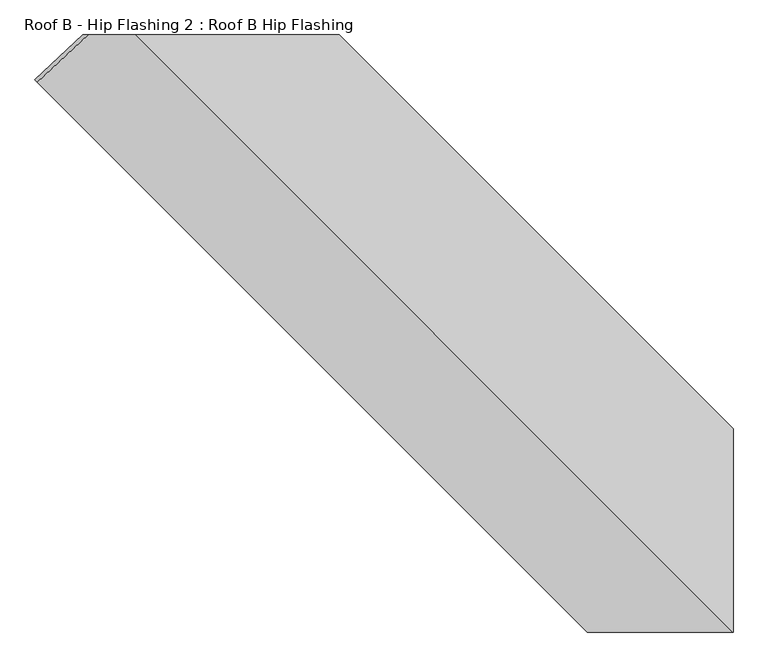
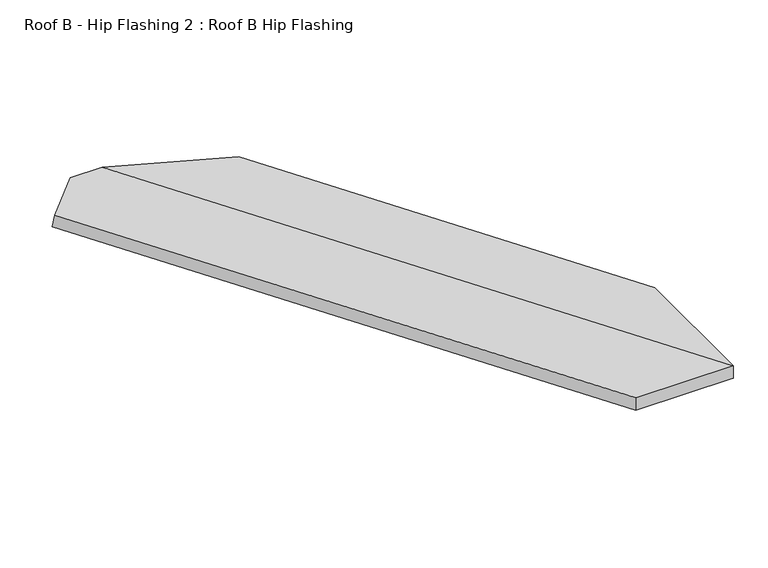
"""IFC4 building model written with IfcOpenShell, lengths in millimetres: proxy geometry, Roof B - Hip Flashing 2 : Roof B Hip Flashing."""

import ifcopenshell
import ifcopenshell.guid

model = None  # the IFC model being written
_history = None  # IfcOwnerHistory: only IFC2X3 demands one
_inside = {}  # id of a spatial element -> (the spatial element, [elements in it])
_under = {}  # id of a project, library or spatial element -> (it, [spatial elements below it])
_declared = {}  # id of a project -> (the project, [libraries it declares])
_typed = {}  # id of a type object -> (the type object, [elements of that type])
_made_of = {}  # id of a material, layer set ... -> (it, [elements and type objects made of it])


def new_model(schema):
    """Start an empty IFC model of exactly this schema.

    Asked for "IFC4X3", IfcOpenShell would pick the latest addendum, in which some entities
    have other attributes; the version numbers below select the first issue.
    IFC2X3 requires an IfcOwnerHistory on every rooted entity: one is made here for all.
    """
    global model, _history
    if schema == "IFC4X3":
        model = ifcopenshell.file(schema_version=(4, 3, 0, 0))
    else:
        model = ifcopenshell.file(schema=schema)
    _inside.clear()
    _under.clear()
    _declared.clear()
    _typed.clear()
    _made_of.clear()
    _history = None
    if model.schema == "IFC2X3":
        org = make("IfcOrganization", Name="unknown")
        user = make(
            "IfcPersonAndOrganization",
            ThePerson=make("IfcPerson", FamilyName="unknown"),
            TheOrganization=org,
        )
        app = make(
            "IfcApplication",
            ApplicationDeveloper=org,
            Version="unknown",
            ApplicationFullName="unknown",
            ApplicationIdentifier="unknown",
        )
        _history = make(
            "IfcOwnerHistory",
            OwningUser=user,
            OwningApplication=app,
            ChangeAction="ADDED",
            CreationDate=0,
        )
    return model


def make(cls, **values):
    """One entity of the class cls with the attributes given. An attribute that is None is left unset."""
    return model.create_entity(
        cls, **{name: value for name, value in values.items() if value is not None}
    )


def rooted(cls, **values):
    """An entity with a GlobalId (a new one), such as an element, a storey or a relation."""
    return make(cls, GlobalId=ifcopenshell.guid.new(), OwnerHistory=_history, **values)


def si_unit(unit_type, name, prefix=None):
    """IfcSIUnit, for example si_unit("LENGTHUNIT", "METRE", prefix="MILLI")."""
    return make("IfcSIUnit", UnitType=unit_type, Prefix=prefix, Name=name)


def assignment(units):
    """IfcUnitAssignment: the units of a project."""
    return None if units is None else make("IfcUnitAssignment", Units=units)


def point(xyz):
    """IfcCartesianPoint."""
    return None if xyz is None else make("IfcCartesianPoint", Coordinates=xyz)


def direction(xyz):
    """IfcDirection."""
    return None if xyz is None else make("IfcDirection", DirectionRatios=xyz)


def frame(location, z_axis=None, x_axis=None):
    """IfcAxis2Placement3D, a coordinate frame: its origin and axes. An axis left out is left unset."""
    return make(
        "IfcAxis2Placement3D",
        Location=point(location),
        Axis=direction(z_axis),
        RefDirection=direction(x_axis),
    )


def origin():
    """The frame at (0, 0, 0) with its axes left unset."""
    return frame((0.0, 0.0, 0.0))


def place(relative_to, where):
    """IfcLocalPlacement: puts the frame where relative to a parent placement (None: the world)."""
    return make(
        "IfcLocalPlacement", PlacementRelTo=relative_to, RelativePlacement=where
    )


def context(
    kind, dimensions, precision=None, world=None, true_north=None, identifier=None
):
    """IfcGeometricRepresentationContext, for example the 3D "Model" context."""
    return make(
        "IfcGeometricRepresentationContext",
        ContextIdentifier=identifier,
        ContextType=kind,
        CoordinateSpaceDimension=dimensions,
        Precision=precision,
        WorldCoordinateSystem=world,
        TrueNorth=true_north,
    )


def project(units=None, contexts=None):
    """IfcProject with its units and contexts."""
    return rooted(
        "IfcProject",
        Name="project",
        RepresentationContexts=contexts,
        UnitsInContext=assignment(units),
    )


def spatial(cls, under=None, at=None, **own):
    """A site, building, storey or space (cls), placed at a placement, below another one or the project."""
    s = rooted(cls, ObjectPlacement=at, **own)
    if under is not None:
        _under.setdefault(under.id(), (under, []))[1].append(s)
    return s


def faces_of(points, faces, orient=None, outer=None):
    """IfcFace entities. A face is a list of loops; a loop is a list of indices into points, from 0.

    orient and outer hold one flag for each loop. By default every Orientation is true, the
    first loop of a face is its IfcFaceOuterBound and the others are IfcFaceBound.
    """
    made = []
    for i, loops in enumerate(faces):
        bounds = []
        for j, loop in enumerate(loops):
            is_outer = j == 0 if outer is None else outer[i][j]
            bounds.append(
                make(
                    "IfcFaceOuterBound" if is_outer else "IfcFaceBound",
                    Bound=make("IfcPolyLoop", Polygon=[points[k] for k in loop]),
                    Orientation=True if orient is None else orient[i][j],
                )
            )
        made.append(make("IfcFace", Bounds=bounds))
    return made


def faceted_brep(points, faces, orient=None, outer=None, voids=None):
    """IfcFacetedBrep: a solid bounded by flat faces; with voids (closed shells), ...WithVoids."""
    shared = [point(p) for p in points]
    hull = make("IfcClosedShell", CfsFaces=faces_of(shared, faces, orient, outer))
    if voids is None:
        return make("IfcFacetedBrep", Outer=hull)
    return make(
        "IfcFacetedBrepWithVoids",
        Outer=hull,
        Voids=[
            make(cls, CfsFaces=faces_of(shared, fs, o, b)) for cls, fs, o, b in voids
        ],
    )


def shape(context_of_items, identifier, shape_type, items):
    """IfcShapeRepresentation: the items that make up one representation, for example the "Body"."""
    return make(
        "IfcShapeRepresentation",
        ContextOfItems=context_of_items,
        RepresentationIdentifier=identifier,
        RepresentationType=shape_type,
        Items=items,
    )


def source(mapping_origin, context_of_items, identifier, shape_type, items):
    """IfcRepresentationMap: a shape defined once, which mapped items show again and again."""
    return make(
        "IfcRepresentationMap",
        MappingOrigin=mapping_origin,
        MappedRepresentation=shape(context_of_items, identifier, shape_type, items),
    )


def transform(
    local_origin,
    x_axis=None,
    y_axis=None,
    z_axis=None,
    scale=None,
    scale2=None,
    scale3=None,
    uniform=True,
):
    """IfcCartesianTransformationOperator3D, or its non-uniform kind. x_axis, y_axis, z_axis: its Axis1, 2, 3."""
    if uniform:
        return make(
            "IfcCartesianTransformationOperator3D",
            Axis1=direction(x_axis),
            Axis2=direction(y_axis),
            LocalOrigin=point(local_origin),
            Scale=scale,
            Axis3=direction(z_axis),
        )
    return make(
        "IfcCartesianTransformationOperator3DnonUniform",
        Axis1=direction(x_axis),
        Axis2=direction(y_axis),
        LocalOrigin=point(local_origin),
        Scale=scale,
        Axis3=direction(z_axis),
        Scale2=scale2,
        Scale3=scale3,
    )


def mapped(mapping_source, mapping_target):
    """IfcMappedItem: shows the shape of a source again, moved by a transform."""
    return make(
        "IfcMappedItem", MappingSource=mapping_source, MappingTarget=mapping_target
    )


def made_of(thing, what):
    """Note that an element or type object is made of a material, layer set ...; save() writes the relation."""
    if what is not None:
        _made_of.setdefault(what.id(), (what, []))[1].append(thing)
    return thing


def element(
    cls,
    number,
    at=None,
    inside=None,
    cuts=None,
    type_object=None,
    material=None,
    context=None,
    identifier="Body",
    shape_type=None,
    held_by="IfcProductDefinitionShape",
    body=None,
    shapes=None,
    **own,
):
    """One element of the class cls, such as IfcWall. Its Tag is "e" and its number.

    at: its placement. inside: the storey or other place that contains it. cuts: it is an
    opening in that element (IfcRelVoidsElement). A single representation is given by context,
    identifier, shape_type and body (its items); several are given by shapes. held_by: the class
    of the entity that holds the representations. save() writes the other relations.
    """
    e = rooted(cls, Tag="e%d" % number, ObjectPlacement=at, **own)
    if body is not None:
        shapes = [shape(context, identifier, shape_type, body)]
    if shapes is not None:
        e.Representation = make(held_by, Representations=shapes)
    if inside is not None:
        _inside.setdefault(inside.id(), (inside, []))[1].append(e)
    if cuts is not None:
        rooted(
            "IfcRelVoidsElement", RelatingBuildingElement=cuts, RelatedOpeningElement=e
        )
    if type_object is not None:
        _typed.setdefault(type_object.id(), (type_object, []))[1].append(e)
    return made_of(e, material)


def aggregate(whole, parts):
    """IfcRelAggregates: a whole, such as a stair, and the parts it consists of."""
    return rooted("IfcRelAggregates", RelatingObject=whole, RelatedObjects=parts)


def save(model, path):
    """Write the relations noted so far, then the file.

    IfcRelAggregates (storeys below a building ...), IfcRelContainedInSpatialStructure (elements
    in a storey), IfcRelDefinesByType, IfcRelAssociatesMaterial and IfcRelDeclares: one each for
    every whole, place, type object, material and project.
    """
    for whole, parts in _under.values():
        aggregate(whole, parts)
    for where, things in _inside.values():
        rooted(
            "IfcRelContainedInSpatialStructure",
            RelatedElements=things,
            RelatingStructure=where,
        )
    for kind, things in _typed.values():
        rooted("IfcRelDefinesByType", RelatedObjects=things, RelatingType=kind)
    for what, things in _made_of.values():
        rooted("IfcRelAssociatesMaterial", RelatedObjects=things, RelatingMaterial=what)
    for by, libraries in _declared.values():
        rooted("IfcRelDeclares", RelatingContext=by, RelatedDefinitions=libraries)
    model.write(path)


def roof_b_hip_flashing_2_roof_b_hip_flashing_49d361d3(model_context):
    return source(origin(), model_context, "Body", "Brep", [
        faceted_brep([(2997.0405716, -3403.4547231, 3588.3395553), (3002.9737333, -3409.3878847, 3632.6252769), (3120.7391864, -3299.5112211, 3662.0666402), (3108.4468813, -3299.5112211, 3616.1911327), (3705.2141237, -3299.5112211, 3489.2228774), (3705.2141237, -3299.5112211, 3535.1026447), (4622.3647416, -4216.661839, 3289.3528773), (4622.3647416, -4216.661839, 3243.4731099), (3231.3780417, -3299.5112211, 3662.0666402), (4621.3421908, -4689.4753702, 3289.6268689), (4622.3647416, -4689.4753702, 3289.3528773), (4283.0612188, -4689.4753702, 3289.6268689), (4283.0612188, -4689.4753702, 3243.7513614), (4621.3262929, -4689.4753702, 3243.7513614), (3231.3621437, -3299.5112211, 3616.1911327), (4622.3647416, -4689.4753702, 3243.4731099)], [[[0, 1, 2, 3]], [[4, 5, 6, 7]], [[8, 9, 10, 6, 5]], [[1, 11, 9, 8, 2]], [[1, 0, 12, 11]], [[13, 14, 4, 7, 15]], [[12, 0, 3, 14, 13]], [[9, 11, 12, 13, 15, 10]], [[3, 2, 8, 5, 4, 14]], [[7, 6, 10, 15]]]),
    ])


if __name__ == "__main__":
    model = new_model("IFC4")
    model_context = context("Model", 3, world=origin())
    ifc_project = project(units=[si_unit("LENGTHUNIT", "METRE", prefix="MILLI")], contexts=[model_context])
    site = spatial("IfcSite", under=ifc_project)
    building = spatial("IfcBuilding", under=site)
    placement = place(None, origin())
    roof_b_hip_flashing_2_roof_b_hip_flashing_shape = roof_b_hip_flashing_2_roof_b_hip_flashing_49d361d3(model_context)
    element("IfcBuildingElementProxy", 1, Name="Roof B - Hip Flashing 2 : Roof B Hip Flashing", ObjectType="Roof B - Hip Flashing 2 : Roof B Hip Flashing", at=placement, inside=building, context=model_context, shape_type="MappedRepresentation", body=[
        mapped(roof_b_hip_flashing_2_roof_b_hip_flashing_shape, transform((0.0, 0.0, 0.0), x_axis=(1.0, 0.0, 0.0), y_axis=(0.0, 1.0, 0.0), z_axis=(0.0, 0.0, 1.0))),
    ])
    save(model, "model.ifc")
